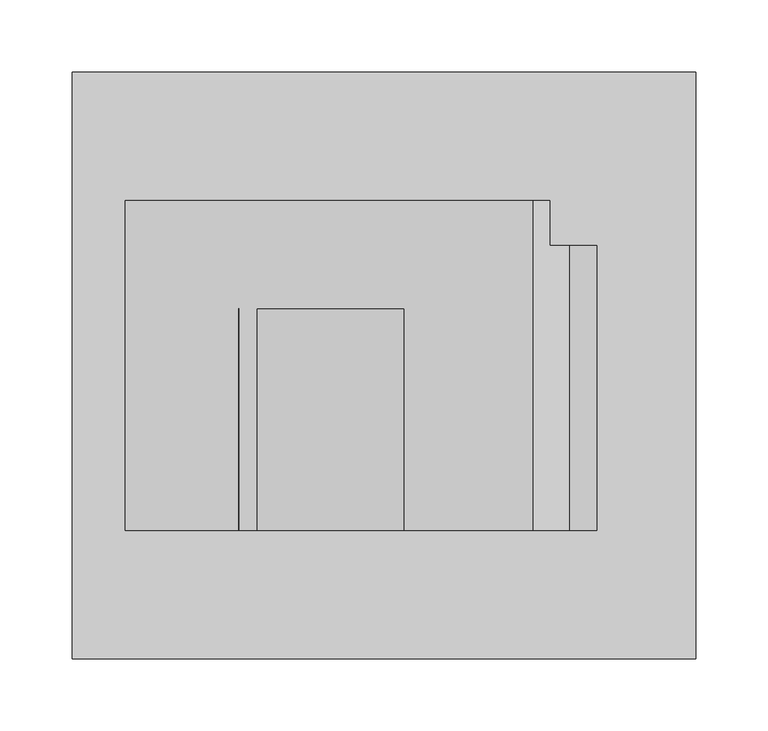
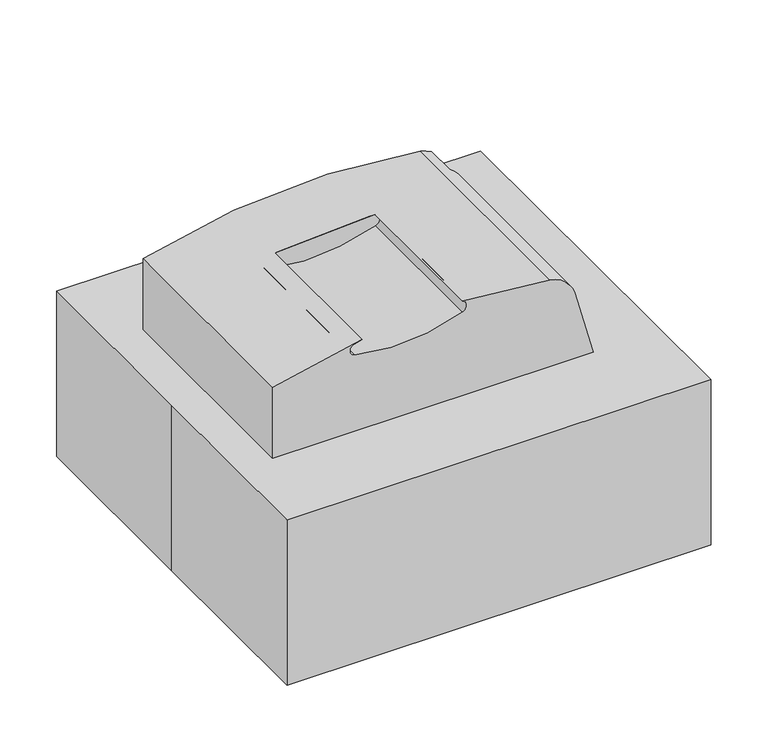
"""IFC4 building model written with IfcOpenShell, lengths in millimetres: proxy geometry."""

from ifc_helpers import new_model, si_unit, frame, origin, origin_with_axes, place, context, project, spatial, polyline, circle_curve, outline, extrude, source, transform, mapped, element, save
from ifc_brep_helpers import plane_surface, cylinder_surface, revolved_surface, advanced_brep


def specialty_equipment_b0130e43(model_context):
    return source(origin(), model_context, "Body", "SolidModel", [
        advanced_brep(
        [(150.8577319, 114.3, 0.0), (-179.3422681, 114.3, 0.0), (-179.3422681, 114.3, 254.0), (103.1784124, 114.3, 270.7054998), (114.7370728, 114.3, 266.3346257), (114.7370728, 114.3, 110.2857558), (176.2577319, 114.3, 69.7859265), (90.7109247, 114.3, 50.6960895), (90.7109247, 114.3, 219.1090553), (74.9738905, 114.3, 234.8460895), (-150.5890753, 114.3, 234.8460895), (-163.2890753, 114.3, 222.1460895), (-163.2890753, 114.3, 50.6960895), (-144.2390753, 114.3, 31.6460895), (71.6609247, 114.3, 31.6460895), (145.1038176, 114.3, 50.8544827), (94.3038176, 114.3, 50.8544827), (132.4038176, 114.3, 50.8544827), (107.0038176, 114.3, 50.8544827), (150.8577319, -114.3, 0.0), (176.2577319, -114.3, 69.7859265), (128.6105233, -114.3, 247.6077295), (103.1784124, -114.3, 270.7054998), (14.1153613, -114.3, 279.2069302), (14.3607442, -114.3, 267.2445882), (-95.5402402, -114.3, 259.3309192), (-95.67799, -114.3, 271.6963039), (-87.9648551, -114.3, 273.4915168), (-179.3422681, -114.3, 254.0), (-179.3422681, -114.3, 0.0), (176.2577319, 82.9767893, 69.7859265), (150.8577319, 82.9767893, 0.0), (128.6105233, 82.9767893, 247.6077295), (114.7370728, 82.9767893, 266.3346257), (-87.9648551, 39.4871687, 273.4915168), (14.1153613, 39.4871687, 279.2069302), (14.3607442, 39.4871687, 267.2445882), (-95.67799, 39.4871687, 271.6963039), (-95.5402402, 39.4871687, 259.3309192), (71.6609247, 107.5167707, 31.6460895), (-144.2390753, 107.5167707, 31.6460895), (-163.2890753, 107.5167707, 50.6960895), (-163.2890753, 107.5167707, 222.1460895), (-150.5890753, 107.5167707, 234.8460895), (74.9738905, 107.5167707, 234.8460895), (90.7109247, 107.5167707, 219.1090553), (90.7109247, 107.5167707, 50.6960895), (94.3038176, 82.9767893, 50.8544827), (145.1038176, 82.9767893, 50.8544827), (107.0038176, 82.9767893, 50.8544827), (132.4038176, 82.9767893, 50.8544827), (114.7370728, 82.9767893, 110.2857558)],
        [
            (0, 1),
            (1, 2),
            (2, 3, circle_curve(frame((-1.5422681, 114.3, -355.6), z_axis=(0.0, 1.0, 0.0), x_axis=(1.0, 0.0, 0.0)), 635.0)),
            (3, 4, circle_curve(frame((97.9423784, 114.3, 239.3902248), z_axis=(0.0, 1.0, 0.0), x_axis=(1.0, 0.0, 0.0)), 31.75)),
            (4, 5),
            (5, 6, circle_curve(frame((119.7038176, 114.3, 50.8544827), z_axis=(0.0, 1.0, 0.0), x_axis=(1.0, 0.0, 0.0)), 59.6384505)),
            (6, 0, circle_curve(frame((119.7038176, 114.3, 50.8544827), z_axis=(0.0, 1.0, 0.0), x_axis=(1.0, 0.0, 0.0)), 59.6384505)),
            (7, 8),
            (8, 9, circle_curve(frame((74.9738905, 114.3, 219.1090553), z_axis=(0.0, -1.0, 0.0), x_axis=(1.0, 0.0, 0.0)), 15.7370342)),
            (9, 10),
            (10, 11, circle_curve(frame((-150.5890753, 114.3, 222.1460895), z_axis=(0.0, -1.0, 0.0), x_axis=(1.0, 0.0, 0.0)), 12.7)),
            (11, 12),
            (12, 13, circle_curve(frame((-144.2390753, 114.3, 50.6960895), z_axis=(0.0, -1.0, 0.0), x_axis=(1.0, 0.0, 0.0)), 19.05)),
            (13, 14),
            (14, 7, circle_curve(frame((71.6609247, 114.3, 50.6960895), z_axis=(0.0, -1.0, 0.0), x_axis=(1.0, 0.0, 0.0)), 19.05)),
            (15, 16, circle_curve(frame((119.7038176, 114.3, 50.8544827), z_axis=(0.0, -1.0, 0.0), x_axis=(1.0, 0.0, 0.0)), 25.4)),
            (16, 15, circle_curve(frame((119.7038176, 114.3, 50.8544827), z_axis=(0.0, -1.0, 0.0), x_axis=(1.0, 0.0, 0.0)), 25.4)),
            (17, 18, circle_curve(frame((119.7038176, 114.3, 50.8544827), z_axis=(0.0, 1.0, 0.0), x_axis=(1.0, 0.0, 0.0)), 12.7)),
            (18, 17, circle_curve(frame((119.7038176, 114.3, 50.8544827), z_axis=(0.0, 1.0, 0.0), x_axis=(1.0, 0.0, 0.0)), 12.7)),
            (19, 20, circle_curve(frame((119.7038176, -114.3, 50.8544827), z_axis=(0.0, -1.0, 0.0), x_axis=(1.0, 0.0, 0.0)), 59.6384505)),
            (20, 21),
            (21, 22, circle_curve(frame((97.9423784, -114.3, 239.3902248), z_axis=(0.0, -1.0, 0.0), x_axis=(1.0, 0.0, 0.0)), 31.75)),
            (22, 23, circle_curve(frame((-1.5422681, -114.3, -355.6), z_axis=(0.0, -1.0, 0.0), x_axis=(1.0, 0.0, 0.0)), 635.0)),
            (23, 24, circle_curve(frame((12.1094067, -114.3, 273.1820944), z_axis=(0.0, 1.0, 0.0), x_axis=(1.0, 0.0, 0.0)), 6.35)),
            (24, 25, circle_curve(frame((-53.8232511, -114.3, 447.0678714), z_axis=(0.0, 1.0, 0.0), x_axis=(1.0, 0.0, 0.0)), 192.316069)),
            (25, 26, circle_curve(frame((-94.1628052, -114.3, 265.5297234), z_axis=(0.0, 1.0, 0.0), x_axis=(1.0, 0.0, 0.0)), 6.35)),
            (26, 27, circle_curve(frame((-18.6096514, -114.3, -41.9605774), z_axis=(0.0, 1.0, 0.0), x_axis=(1.0, 0.0, 0.0)), 322.9863279)),
            (27, 28, circle_curve(frame((-1.5422681, -114.3, -355.6), z_axis=(0.0, -1.0, 0.0), x_axis=(1.0, 0.0, 0.0)), 635.0)),
            (28, 29),
            (29, 19),
            (6, 30),
            (30, 20),
            (19, 31),
            (31, 0),
            (30, 32),
            (32, 21),
            (32, 33, circle_curve(frame((97.9423784, 82.9767893, 239.3902248), z_axis=(0.0, -1.0, 0.0), x_axis=(1.0, 0.0, 0.0)), 31.75)),
            (33, 4),
            (3, 22),
            (2, 28),
            (27, 34),
            (34, 35, circle_curve(frame((-1.5422681, 39.4871687, -355.6), z_axis=(0.0, 1.0, 0.0), x_axis=(1.0, 0.0, 0.0)), 635.0)),
            (35, 23),
            (1, 29),
            (36, 35, circle_curve(frame((12.1094067, 39.4871687, 273.1820944), z_axis=(0.0, -1.0, 0.0), x_axis=(1.0, 0.0, 0.0)), 6.35)),
            (34, 37, circle_curve(frame((-18.6096514, 39.4871687, -41.9605774), z_axis=(0.0, -1.0, 0.0), x_axis=(1.0, 0.0, 0.0)), 322.9863279)),
            (37, 38, circle_curve(frame((-94.1628052, 39.4871687, 265.5297234), z_axis=(0.0, -1.0, 0.0), x_axis=(1.0, 0.0, 0.0)), 6.35)),
            (38, 36, circle_curve(frame((-53.8232511, 39.4871687, 447.0678714), z_axis=(0.0, -1.0, 0.0), x_axis=(1.0, 0.0, 0.0)), 192.316069)),
            (36, 24),
            (26, 37),
            (25, 38),
            (39, 40),
            (40, 41, circle_curve(frame((-144.2390753, 107.5167707, 50.6960895), z_axis=(0.0, 1.0, 0.0), x_axis=(1.0, 0.0, 0.0)), 19.05)),
            (41, 42),
            (42, 43, circle_curve(frame((-150.5890753, 107.5167707, 222.1460895), z_axis=(0.0, 1.0, 0.0), x_axis=(1.0, 0.0, 0.0)), 12.7)),
            (43, 44),
            (44, 45, circle_curve(frame((74.9738905, 107.5167707, 219.1090553), z_axis=(0.0, 1.0, 0.0), x_axis=(1.0, 0.0, 0.0)), 15.7370342)),
            (45, 46),
            (46, 39, circle_curve(frame((71.6609247, 107.5167707, 50.6960895), z_axis=(0.0, 1.0, 0.0), x_axis=(1.0, 0.0, 0.0)), 19.05)),
            (46, 7),
            (14, 39),
            (45, 8),
            (44, 9),
            (43, 10),
            (42, 11),
            (41, 12),
            (40, 13),
            (47, 48, circle_curve(frame((119.7038176, 82.9767893, 50.8544827), z_axis=(0.0, 1.0, 0.0), x_axis=(1.0, 0.0, 0.0)), 25.4)),
            (48, 47, circle_curve(frame((119.7038176, 82.9767893, 50.8544827), z_axis=(0.0, 1.0, 0.0), x_axis=(1.0, 0.0, 0.0)), 25.4)),
            (49, 50, circle_curve(frame((119.7038176, 82.9767893, 50.8544827), z_axis=(0.0, -1.0, 0.0), x_axis=(1.0, 0.0, 0.0)), 12.7)),
            (50, 49, circle_curve(frame((119.7038176, 82.9767893, 50.8544827), z_axis=(0.0, -1.0, 0.0), x_axis=(1.0, 0.0, 0.0)), 12.7)),
            (51, 33),
            (30, 51, circle_curve(frame((119.7038176, 82.9767893, 50.8544827), z_axis=(0.0, -1.0, 0.0), x_axis=(1.0, 0.0, 0.0)), 59.6384505)),
            (5, 51),
            (48, 15),
            (16, 47),
            (50, 17),
            (18, 49),
        ],
        [
            plane_surface(frame((179.3422681, 114.3, 50.8544827), z_axis=(0.0, 1.0, 0.0), x_axis=(0.0, 0.0, 1.0))),
            plane_surface(frame((179.3422681, -114.3, 50.8544827), z_axis=(0.0, -1.0, 0.0), x_axis=(0.0, 0.0, -1.0))),
            cylinder_surface(frame((119.7038176, -114.3, 50.8544827), z_axis=(0.0, 1.0, 0.0), x_axis=(1.0, 0.0, 0.0)), 59.6384505),
            plane_surface(frame((176.2577319, 114.3, 69.7859265), z_axis=(0.9659258262890688, 0.0, 0.25881904510251935), x_axis=(0.0, -1.0, 0.0))),
            cylinder_surface(frame((97.9423784, -114.3, 239.3902248), z_axis=(0.0, 1.0, 0.0), x_axis=(1.0, 0.0, 0.0)), 31.75),
            cylinder_surface(frame((-1.5422681, -114.3, -355.6), z_axis=(0.0, 1.0, 0.0), x_axis=(1.0, 0.0, 0.0)), 635.0),
            plane_surface(frame((-179.3422681, 114.3, 254.0), z_axis=(-1.0, 0.0, 0.0), x_axis=(0.0, -1.0, 0.0))),
            plane_surface(frame((-179.3422681, 114.3, 0.0), z_axis=(0.0, 0.0, -1.0), x_axis=(0.0, -1.0, 0.0))),
            plane_surface(frame((18.4594067, 39.4871687, 273.1820944), z_axis=(0.0, -1.0, 0.0), x_axis=(0.0, 0.0, 1.0))),
            revolved_surface(polyline([(18.4594067, 39.4871687, 273.1820944), (18.4594067, -114.3, 273.1820944)]), (12.1094067, -114.3, 273.1820944), (0.0, 1.0, 0.0)),
            revolved_surface(polyline([(304.3766765, 39.4871687, -41.9605774), (304.3766765, -114.3, -41.9605774)]), (-18.6096514, -114.3, -41.9605774), (0.0, 1.0, 0.0)),
            revolved_surface(polyline([(-87.8128052, 39.4871687, 265.5297234), (-87.8128052, -114.3, 265.5297234)]), (-94.1628052, -114.3, 265.5297234), (0.0, 1.0, 0.0)),
            revolved_surface(polyline([(138.4928179, 39.4871687, 447.0678714), (138.4928179, -114.3, 447.0678714)]), (-53.8232511, -114.3, 447.0678714), (0.0, 1.0, 0.0)),
            plane_surface(frame((90.7109247, 107.5167707, 50.6960895), z_axis=(0.0, 1.0, 0.0), x_axis=(0.0, 0.0, -1.0))),
            revolved_surface(polyline([(90.71092469999999, 114.3, 50.6960895), (90.71092469999999, 107.5167707, 50.6960895)]), (71.6609247, 107.5167707, 50.6960895), (0.0, 1.0, 0.0)),
            plane_surface(frame((90.7109247, 114.3, 50.6960895), z_axis=(-1.0, 0.0, 0.0), x_axis=(0.0, -1.0, 0.0))),
            revolved_surface(polyline([(90.71092469999999, 114.3, 219.1090553), (90.71092469999999, 107.5167707, 219.1090553)]), (74.9738905, 107.5167707, 219.1090553), (0.0, 1.0, 0.0)),
            plane_surface(frame((74.9738905, 114.3, 234.8460895), z_axis=(0.0, 0.0, -1.0), x_axis=(0.0, -1.0, 0.0))),
            revolved_surface(polyline([(-137.8890753, 114.3, 222.1460895), (-137.8890753, 107.5167707, 222.1460895)]), (-150.5890753, 107.5167707, 222.1460895), (0.0, 1.0, 0.0)),
            plane_surface(frame((-163.2890753, 114.3, 222.1460895), z_axis=(1.0, 0.0, 0.0), x_axis=(0.0, -1.0, 0.0))),
            revolved_surface(polyline([(-125.1890753, 114.3, 50.6960895), (-125.1890753, 107.5167707, 50.6960895)]), (-144.2390753, 107.5167707, 50.6960895), (0.0, 1.0, 0.0)),
            plane_surface(frame((-144.2390753, 114.3, 31.6460895), z_axis=(0.0, 0.0, 1.0), x_axis=(0.0, -1.0, 0.0))),
            plane_surface(frame((179.3422681, 82.9767893, 50.8544827), z_axis=(0.0, 1.0, 0.0), x_axis=(0.0, 0.0, 1.0))),
            cylinder_surface(frame((119.7038176, 82.9767893, 50.8544827), z_axis=(0.0, -1.0, 0.0), x_axis=(1.0, 0.0, 0.0)), 59.6384505),
            plane_surface(frame((114.7370728, 114.3, 288.0857558), z_axis=(1.0, 0.0, 0.0), x_axis=(0.0, -1.0, 0.0))),
            revolved_surface(polyline([(145.10381759999999, 114.3, 50.8544827), (145.10381759999999, 82.9767893, 50.8544827)]), (119.7038176, -114.3, 50.8544827), (0.0, 1.0, 0.0)),
            cylinder_surface(frame((119.7038176, -114.3, 50.8544827), z_axis=(0.0, -1.0, 0.0), x_axis=(1.0, 0.0, 0.0)), 12.7),
        ],
        [
            (0, [[1, 2, 3, 4, 5, 6, 7], [8, 9, 10, 11, 12, 13, 14, 15], [16, 17]]),
            (0, [[18, 19]]),
            (1, [[20, 21, 22, 23, 24, 25, 26, 27, 28, 29, 30]]),
            (2, [[31, 32, -20, 33, 34, -7]]),
            (3, [[-32, 35, 36, -21]]),
            (4, [[-36, 37, 38, -4, 39, -22]]),
            (5, [[40, -28, 41, 42, 43, -23, -39, -3]]),
            (6, [[44, -29, -40, -2]]),
            (7, [[-34, -33, -30, -44, -1]]),
            (8, [[45, -42, 46, 47, 48]]),
            (9, [[-24, -43, -45, 49]]),
            (10, [[-46, -41, -27, 50]]),
            (11, [[-50, -26, 51, -47]]),
            (12, [[-51, -25, -49, -48]]),
            (13, [[52, 53, 54, 55, 56, 57, 58, 59]]),
            (14, [[60, -15, 61, -59]]),
            (15, [[62, -8, -60, -58]]),
            (16, [[63, -9, -62, -57]]),
            (17, [[64, -10, -63, -56]]),
            (18, [[65, -11, -64, -55]]),
            (19, [[66, -12, -65, -54]]),
            (20, [[67, -13, -66, -53]]),
            (21, [[-61, -14, -67, -52]]),
            (22, [[68, 69], [70, 71]]),
            (22, [[72, -37, -35, 73]]),
            (23, [[-73, -31, -6, 74]]),
            (24, [[-5, -38, -72, -74]]),
            (25, [[75, -17, 76, -69]]),
            (25, [[-76, -16, -75, -68]]),
            (26, [[77, -19, 78, -71]]),
            (26, [[-78, -18, -77, -70]]),
        ],
    ),
        extrude(outline(polyline([(-215.9, -203.2), (-215.9, 0.0), (-215.9, 203.2), (215.9, 203.2), (215.9, -203.2), (-215.9, -203.2)])), origin_with_axes(), (0.0, 0.0, 1.0), 177.8),
    ])


if __name__ == "__main__":
    model = new_model("IFC4")
    model_context = context("Model", 3, world=origin())
    ifc_project = project(units=[si_unit("LENGTHUNIT", "METRE", prefix="MILLI")], contexts=[model_context])
    site = spatial("IfcSite", under=ifc_project)
    building = spatial("IfcBuilding", under=site)
    placement = place(None, origin())
    specialty_equipment_shape = specialty_equipment_b0130e43(model_context)
    element("IfcBuildingElementProxy", 1, Name="Specialty Equipment", at=placement, inside=building, context=model_context, shape_type="MappedRepresentation", body=[
        mapped(specialty_equipment_shape, transform((0.0, 0.0, 0.0), x_axis=(1.0, 0.0, 0.0), y_axis=(0.0, 1.0, 0.0), z_axis=(0.0, 0.0, 1.0))),
    ])
    save(model, "model.ifc")
